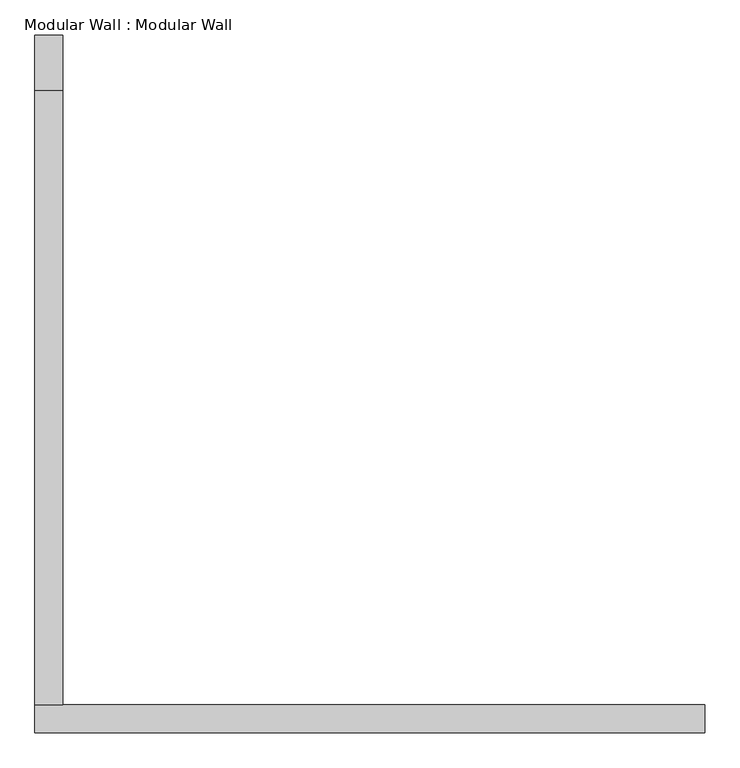
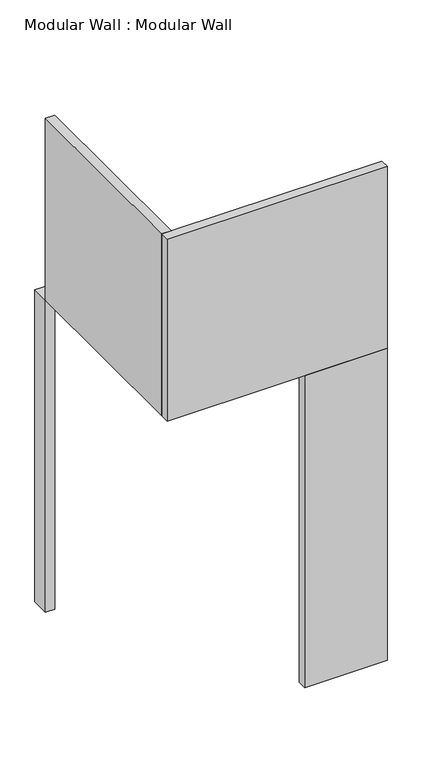
"""IFC4 building model written with IfcOpenShell, lengths in millimetres: proxy geometry, Modular Wall : Modular Wall."""

from ifc_helpers import new_model, si_unit, frame, origin, origin_with_axes, place, context, project, spatial, polyline, outline, extrude, source, transform, mapped, element, save


def modular_wall_modular_wall_d1c87ee9(model_context):
    return source(origin(), model_context, "Body", "SweptSolid", [
        extrude(outline(polyline([(-939.8, 1143.0), (-990.6, 1143.0), (-990.6, 1244.6), (-939.8, 1244.6), (-939.8, 1143.0)])), origin_with_axes(), (0.0, 0.0, 1.0), 1828.8),
        extrude(outline(polyline([(228.6, -25.4), (-228.6, -25.4), (-228.6, 25.4), (228.6, 25.4), (228.6, -25.4)])), origin_with_axes(), (0.0, 0.0, 1.0), 1828.8),
        extrude(outline(polyline([(-939.8, 25.4), (-990.6, 25.4), (-990.6, 1143.0), (-939.8, 1143.0), (-939.8, 25.4)])), frame((0.0, 0.0, 1828.8), z_axis=(0.0, 0.0, 1.0), x_axis=(1.0, 0.0, 0.0)), (0.0, 0.0, 1.0), 1066.8),
        extrude(outline(polyline([(-939.8, 25.4), (228.6, 25.4), (228.6, -25.4), (-990.6, -25.4), (-990.6, 25.4), (-939.8, 25.4)])), frame((0.0, 0.0, 1828.8), z_axis=(0.0, 0.0, 1.0), x_axis=(1.0, 0.0, 0.0)), (0.0, 0.0, 1.0), 1066.8),
    ])


if __name__ == "__main__":
    model = new_model("IFC4")
    model_context = context("Model", 3, world=origin())
    ifc_project = project(units=[si_unit("LENGTHUNIT", "METRE", prefix="MILLI")], contexts=[model_context])
    site = spatial("IfcSite", under=ifc_project)
    building = spatial("IfcBuilding", under=site)
    placement = place(None, origin())
    modular_wall_modular_wall_shape = modular_wall_modular_wall_d1c87ee9(model_context)
    element("IfcBuildingElementProxy", 1, Name="Modular Wall : Modular Wall", ObjectType="Modular Wall : Modular Wall", at=placement, inside=building, context=model_context, shape_type="MappedRepresentation", body=[
        mapped(modular_wall_modular_wall_shape, transform((0.0, 0.0, 0.0), x_axis=(1.0, 0.0, 0.0), y_axis=(0.0, 1.0, 0.0), z_axis=(0.0, 0.0, 1.0))),
    ])
    save(model, "model.ifc")
